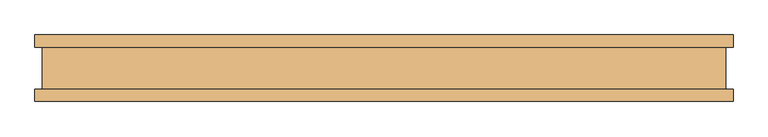
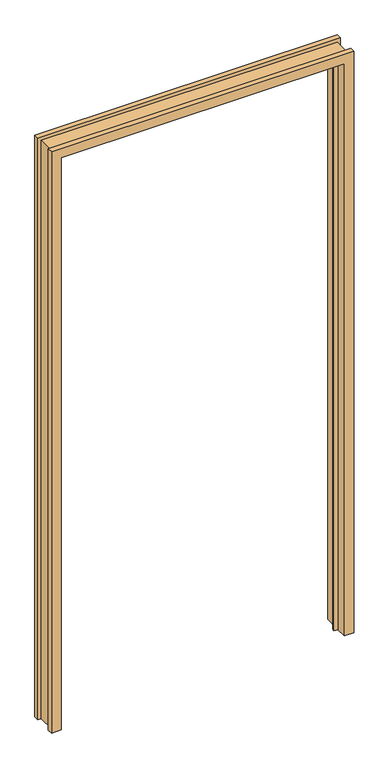
"""IFC4 building model written with IfcOpenShell, lengths in millimetres: door geometry."""

from ifc_helpers import new_model, si_unit, origin, place, context, project, spatial, faceted_brep, source, transform, mapped, element, save


def door_65cce460(model_context):
    return source(origin(), model_context, "Body", "Brep", [
        faceted_brep([(-525.3482, 31.447233, 0.0), (-525.3482, 49.989233, 0.0), (-492.3282, 49.989233, 0.0), (-492.3282, -2.6789063, 0.0), (-479.3742, -2.6789063, 0.0), (-479.3742, -10.907167, 0.0), (-492.3282, -10.907167, 0.0), (-492.3282, -50.010667, 0.0), (-525.3482, -50.010667, 0.0), (-525.3482, -31.468567, 0.0), (-514.35, -31.468567, 0.0), (-514.35, 31.447233, 0.0), (-525.3482, 31.447233, 2133.5925997), (-525.3482, 49.989233, 2133.5925997), (525.3482, 49.989233, 2133.5925997), (525.3482, 49.989233, 0.0), (492.3282, 49.989233, 0.0), (492.3282, 49.989233, 2100.5725997), (-492.3282, 49.989233, 2100.5725997), (-492.3282, -2.6789063, 2100.5725997), (492.3282, -2.6789063, 2100.5725997), (492.3282, -2.6789063, 0.0), (479.3742, -2.6789063, 0.0), (479.3742, -2.6789063, 2087.6185997), (-479.3742, -2.6789063, 2087.6185997), (-479.3742, -10.907167, 2087.6185997), (479.3742, -10.907167, 2087.6185997), (479.3742, -10.907167, 0.0), (492.3282, -10.907167, 0.0), (492.3282, -10.907167, 2100.5725997), (-492.3282, -10.907167, 2100.5725997), (-492.3282, -50.010667, 2100.5725997), (492.3282, -50.010667, 2100.5725997), (492.3282, -50.010667, 0.0), (525.3482, -50.010667, 0.0), (525.3482, -50.010667, 2133.5925997), (-525.3482, -50.010667, 2133.5925997), (-525.3482, -31.468567, 2133.5925997), (525.3482, -31.468567, 2133.5925997), (525.3482, -31.468567, 0.0), (514.35, -31.468567, 0.0), (514.35, -31.468567, 2122.5943997), (-514.35, -31.468567, 2122.5943997), (-514.35, 31.447233, 2122.5943997), (514.35, 31.447233, 2122.5943997), (514.35, 31.447233, 0.0), (525.3482, 31.447233, 0.0), (525.3482, 31.447233, 2133.5925997)], [[[0, 1, 2, 3, 4, 5, 6, 7, 8, 9, 10, 11]], [[1, 0, 12, 13]], [[2, 1, 13, 14, 15, 16, 17, 18]], [[3, 2, 18, 19]], [[4, 3, 19, 20, 21, 22, 23, 24]], [[5, 4, 24, 25]], [[6, 5, 25, 26, 27, 28, 29, 30]], [[7, 6, 30, 31]], [[8, 7, 31, 32, 33, 34, 35, 36]], [[9, 8, 36, 37]], [[10, 9, 37, 38, 39, 40, 41, 42]], [[11, 10, 42, 43]], [[0, 11, 43, 44, 45, 46, 47, 12]], [[32, 29, 28, 33]], [[46, 45, 40, 39, 34, 33, 28, 27, 22, 21, 16, 15]], [[44, 41, 40, 45]], [[26, 23, 22, 27]], [[20, 17, 16, 21]], [[14, 47, 46, 15]], [[38, 35, 34, 39]], [[31, 30, 29, 32]], [[43, 42, 41, 44]], [[25, 24, 23, 26]], [[19, 18, 17, 20]], [[13, 12, 47, 14]], [[37, 36, 35, 38]]]),
    ])


if __name__ == "__main__":
    model = new_model("IFC4")
    model_context = context("Model", 3, world=origin())
    ifc_project = project(units=[si_unit("LENGTHUNIT", "METRE", prefix="MILLI")], contexts=[model_context])
    site = spatial("IfcSite", under=ifc_project)
    building = spatial("IfcBuilding", under=site)
    placement = place(None, origin())
    door_shape = door_65cce460(model_context)
    element("IfcDoor", 1, at=placement, inside=building, context=model_context, shape_type="MappedRepresentation", body=[
        mapped(door_shape, transform((0.0, 0.0, 0.0), x_axis=(1.0, 0.0, 0.0), y_axis=(0.0, 1.0, 0.0), z_axis=(0.0, 0.0, 1.0))),
    ])
    save(model, "model.ifc")
